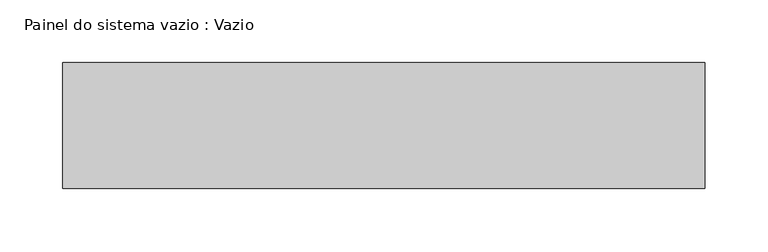
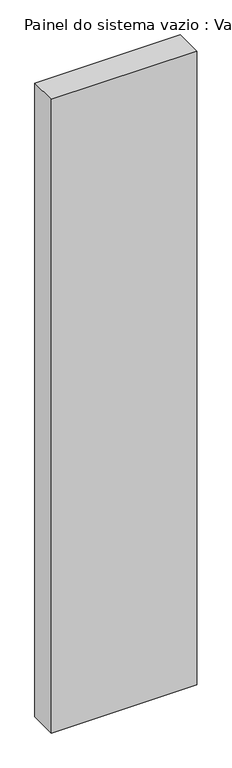
"""IFC4 building model written with IfcOpenShell, lengths in millimetres: plate geometry, Painel do sistema vazio : Vazio."""

from ifc_helpers import new_model, si_unit, origin, origin_with_axes, place, context, project, spatial, polyline, outline, extrude, source, transform, mapped, element, save


def painel_do_sistema_vazio_vazio_f42a719f(model_context):
    return source(origin(), model_context, "Body", "SweptSolid", [
        extrude(outline(polyline([(255.0, -50.0), (-255.0, -50.0), (-255.0, 50.0), (255.0, 50.0), (255.0, -50.0)])), origin_with_axes(), (0.0, 0.0, 1.0), 2347.5),
    ])


if __name__ == "__main__":
    model = new_model("IFC4")
    model_context = context("Model", 3, world=origin())
    ifc_project = project(units=[si_unit("LENGTHUNIT", "METRE", prefix="MILLI")], contexts=[model_context])
    site = spatial("IfcSite", under=ifc_project)
    building = spatial("IfcBuilding", under=site)
    placement = place(None, origin())
    painel_do_sistema_vazio_vazio_shape = painel_do_sistema_vazio_vazio_f42a719f(model_context)
    element("IfcPlate", 1, ObjectType="Painel do sistema vazio : Vazio", at=placement, inside=building, context=model_context, shape_type="MappedRepresentation", body=[
        mapped(painel_do_sistema_vazio_vazio_shape, transform((0.0, 0.0, 0.0), x_axis=(1.0, 0.0, 0.0), y_axis=(0.0, 1.0, 0.0), z_axis=(0.0, 0.0, 1.0))),
    ])
    save(model, "model.ifc")
